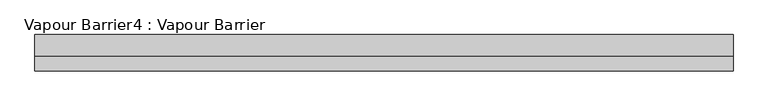
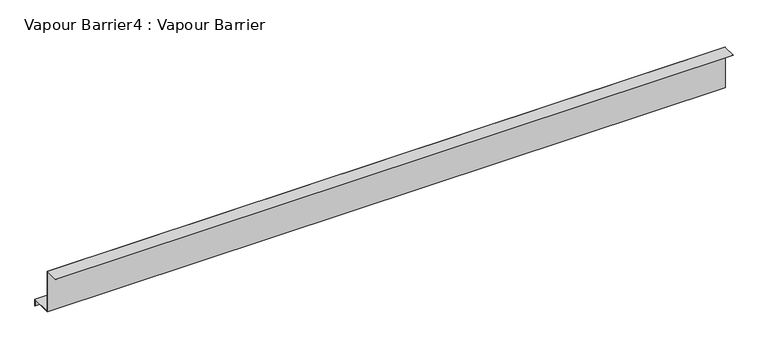
"""IFC4 building model written with IfcOpenShell, lengths in millimetres: proxy geometry, Vapour Barrier4 : Vapour Barrier."""

from ifc_helpers import new_model, si_unit, frame, origin, place, context, project, spatial, polyline, outline, extrude, source, transform, mapped, element, save


def vapour_barrier4_vapour_barrier_82de4047(model_context):
    return source(origin(), model_context, "Body", "SweptSolid", [
        extrude(outline(polyline([(-32677.4913223, 1577.2848541), (-32677.4913223, 1425.8881858), (-32602.1455801, 1425.8881858), (-32602.1455801, 1401.6394721), (-32603.1455801, 1401.6394721), (-32603.1455801, 1424.8881858), (-32678.4913223, 1424.8881858), (-32678.4913223, 1576.2848541), (-32727.4913223, 1576.2848541), (-32727.4913223, 1577.2848541), (-32677.4913223, 1577.2848541)])), frame((1587.2859108, 0.0, 0.0), z_axis=(1.0, 0.0, 0.0), x_axis=(0.0, 1.0, 0.0)), (0.0, 0.0, 1.0), 2412.7200833),
    ])


if __name__ == "__main__":
    model = new_model("IFC4")
    model_context = context("Model", 3, world=origin())
    ifc_project = project(units=[si_unit("LENGTHUNIT", "METRE", prefix="MILLI")], contexts=[model_context])
    site = spatial("IfcSite", under=ifc_project)
    building = spatial("IfcBuilding", under=site)
    placement = place(None, origin())
    vapour_barrier4_vapour_barrier_shape = vapour_barrier4_vapour_barrier_82de4047(model_context)
    element("IfcBuildingElementProxy", 1, Name="Vapour Barrier4 : Vapour Barrier", ObjectType="Vapour Barrier4 : Vapour Barrier", at=placement, inside=building, context=model_context, shape_type="MappedRepresentation", body=[
        mapped(vapour_barrier4_vapour_barrier_shape, transform((0.0, 0.0, 0.0), x_axis=(1.0, 0.0, 0.0), y_axis=(0.0, 1.0, 0.0), z_axis=(0.0, 0.0, 1.0))),
    ])
    save(model, "model.ifc")
